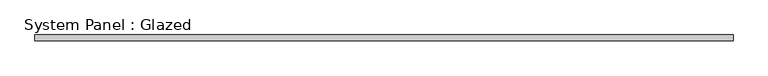
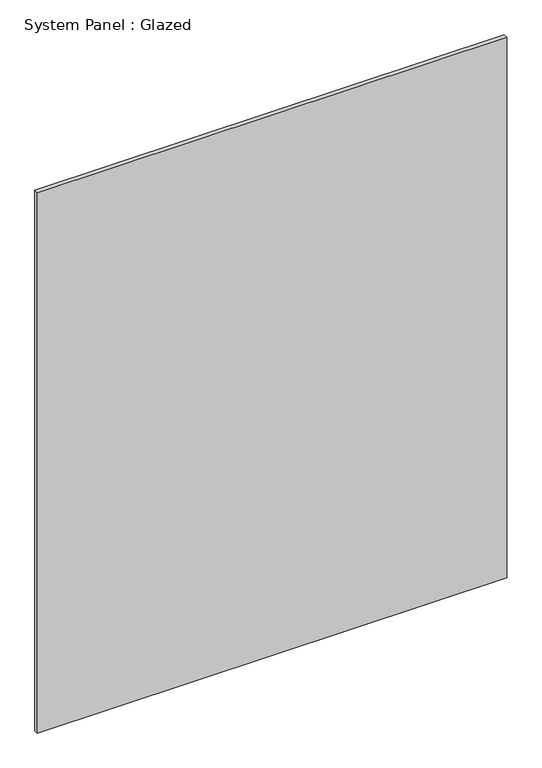
"""IFC4 building model written with IfcOpenShell, lengths in millimetres: plate geometry, System Panel : Glazed."""

from ifc_helpers import new_model, si_unit, origin, origin_with_axes, place, context, project, spatial, polyline, outline, extrude, source, transform, mapped, element, save


def system_panel_glazed_11e2095c(model_context):
    return source(origin(), model_context, "Body", "SweptSolid", [
        extrude(outline(polyline([(1476.375, 19.05), (-1476.375, 19.05), (-1476.375, 44.45), (1476.375, 44.45), (1476.375, 19.05)])), origin_with_axes(), (0.0, 0.0, 1.0), 3594.1),
    ])


if __name__ == "__main__":
    model = new_model("IFC4")
    model_context = context("Model", 3, world=origin())
    ifc_project = project(units=[si_unit("LENGTHUNIT", "METRE", prefix="MILLI")], contexts=[model_context])
    site = spatial("IfcSite", under=ifc_project)
    building = spatial("IfcBuilding", under=site)
    placement = place(None, origin())
    system_panel_glazed_shape = system_panel_glazed_11e2095c(model_context)
    element("IfcPlate", 1, ObjectType="System Panel : Glazed", at=placement, inside=building, context=model_context, shape_type="MappedRepresentation", body=[
        mapped(system_panel_glazed_shape, transform((0.0, 0.0, 0.0), x_axis=(1.0, 0.0, 0.0), y_axis=(0.0, 1.0, 0.0), z_axis=(0.0, 0.0, 1.0))),
    ])
    save(model, "model.ifc")
